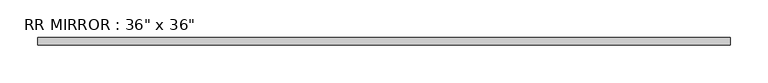
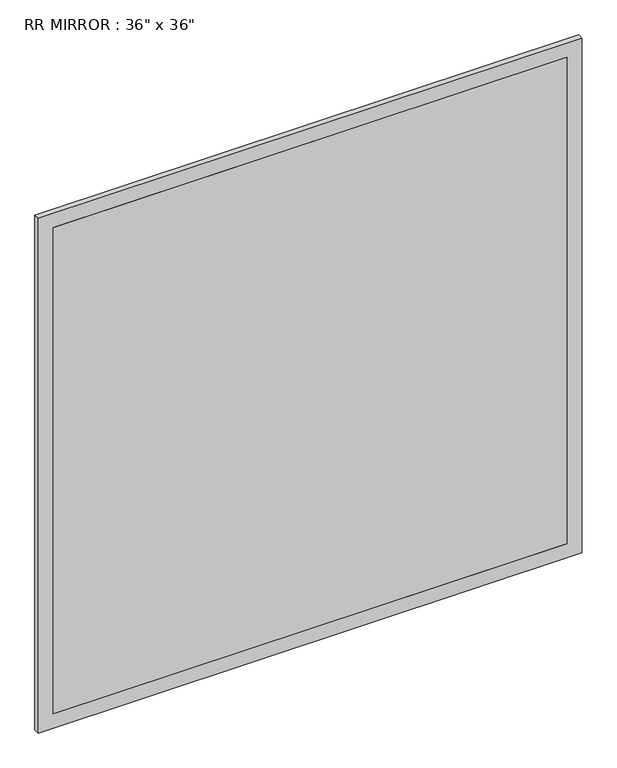
"""IFC4 building model written with IfcOpenShell, lengths in millimetres: proxy geometry."""

from ifc_helpers import new_model, si_unit, frame, origin, place, context, project, spatial, polyline, outline, extrude, source, transform, mapped, element, save


def proxy_022a72d7(model_context):
    return source(origin(), model_context, "Body", "SweptSolid", [
        extrude(outline(polyline([(431.8, 61.9125), (-431.8, 61.9125), (-431.8, 68.2625), (431.8, 68.2625), (431.8, 61.9125)])), frame((0.0, 0.0, 939.8), z_axis=(0.0, 0.0, 1.0), x_axis=(1.0, 0.0, 0.0)), (0.0, 0.0, 1.0), 863.6),
        extrude(outline(polyline([(1828.8, -457.2), (914.4, -457.2), (914.4, 457.2), (1828.8, 457.2), (1828.8, -457.2)]), holes=[polyline([(1803.4, -431.8), (1803.4, 431.8), (939.8, 431.8), (939.8, -431.8), (1803.4, -431.8)])]), frame((0.0, 61.9125, 0.0), z_axis=(0.0, 1.0, 0.0), x_axis=(0.0, 0.0, 1.0)), (0.0, 0.0, 1.0), 9.525),
    ])


if __name__ == "__main__":
    model = new_model("IFC4")
    model_context = context("Model", 3, world=origin())
    ifc_project = project(units=[si_unit("LENGTHUNIT", "METRE", prefix="MILLI")], contexts=[model_context])
    site = spatial("IfcSite", under=ifc_project)
    building = spatial("IfcBuilding", under=site)
    placement = place(None, origin())
    proxy_shape = proxy_022a72d7(model_context)
    element("IfcBuildingElementProxy", 1, Name="RR MIRROR : 36\" x 36\"", ObjectType="RR MIRROR : 36\" x 36\"", at=placement, inside=building, context=model_context, shape_type="MappedRepresentation", body=[
        mapped(proxy_shape, transform((0.0, 0.0, 0.0), x_axis=(1.0, 0.0, 0.0), y_axis=(0.0, 1.0, 0.0), z_axis=(0.0, 0.0, 1.0))),
    ])
    save(model, "model.ifc")
